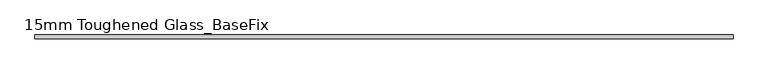
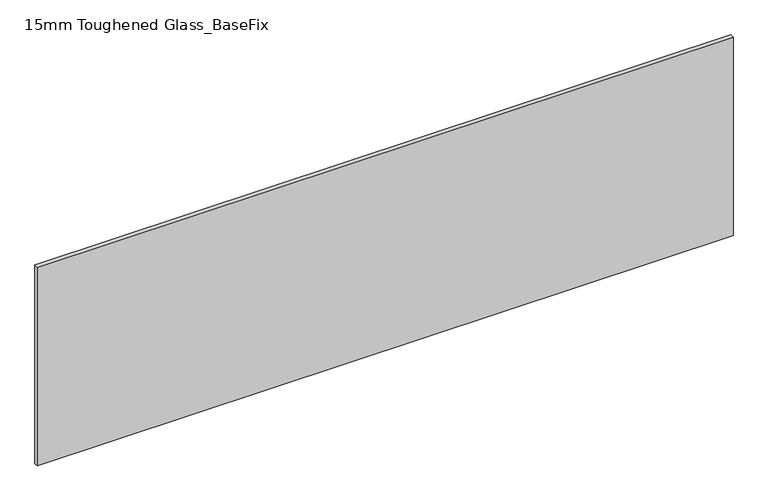
"""IFC4 building model written with IfcOpenShell, lengths in millimetres: plate geometry, 15mm Toughened Glass_BaseFix."""

from ifc_helpers import new_model, si_unit, origin, origin_with_axes, place, context, project, spatial, polyline, outline, extrude, source, transform, mapped, element, save


def plate_15mm_toughened_glass_basefix_26a462ca(model_context):
    return source(origin(), model_context, "Body", "SweptSolid", [
        extrude(outline(polyline([(1420.0, 7.5), (1420.0, -7.5), (-1420.0, -7.5), (-1420.0, 7.5), (1420.0, 7.5)])), origin_with_axes(), (0.0, 0.0, 1.0), 858.0),
    ])


if __name__ == "__main__":
    model = new_model("IFC4")
    model_context = context("Model", 3, world=origin())
    ifc_project = project(units=[si_unit("LENGTHUNIT", "METRE", prefix="MILLI")], contexts=[model_context])
    site = spatial("IfcSite", under=ifc_project)
    building = spatial("IfcBuilding", under=site)
    placement = place(None, origin())
    plate_15mm_toughened_glass_basefix_shape = plate_15mm_toughened_glass_basefix_26a462ca(model_context)
    element("IfcPlate", 1, ObjectType="15mm Toughened Glass_BaseFix", at=placement, inside=building, context=model_context, shape_type="MappedRepresentation", body=[
        mapped(plate_15mm_toughened_glass_basefix_shape, transform((0.0, 0.0, 0.0), x_axis=(1.0, 0.0, 0.0), y_axis=(0.0, 1.0, 0.0), z_axis=(0.0, 0.0, 1.0))),
    ])
    save(model, "model.ifc")
